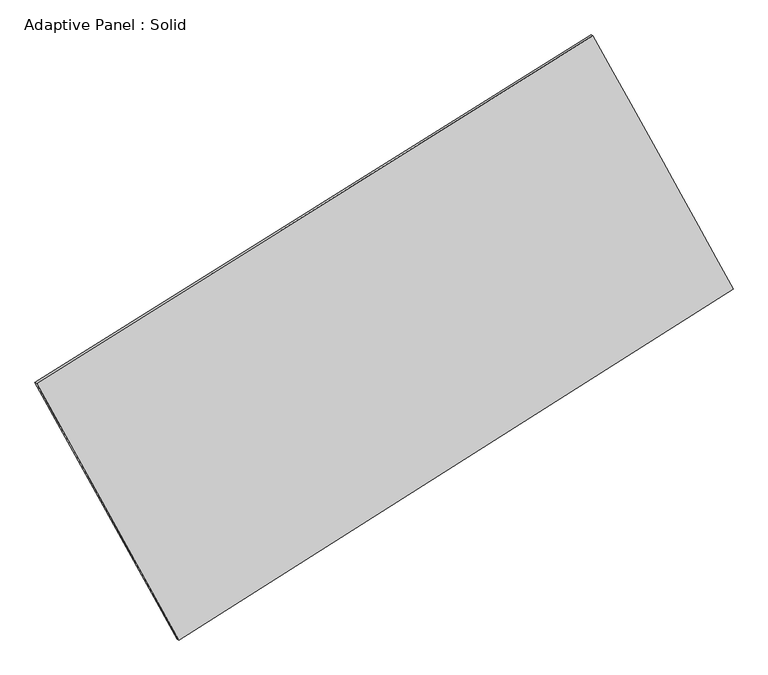
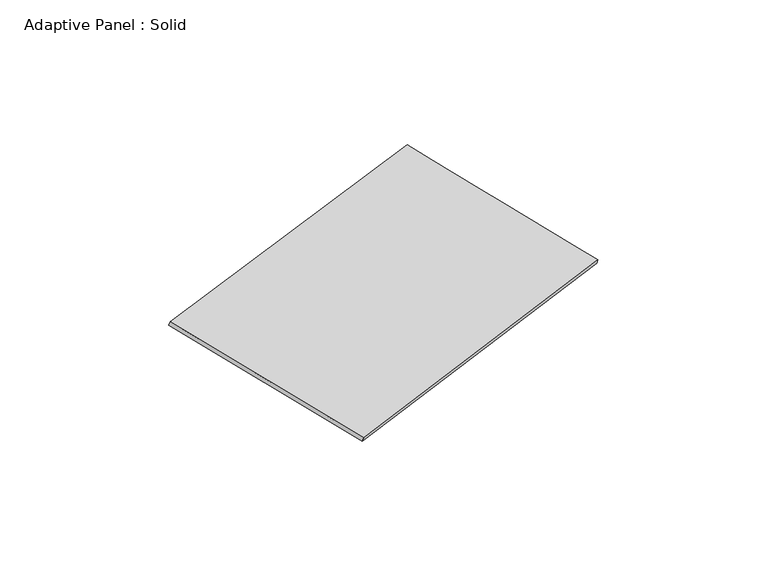
"""IFC4 building model written with IfcOpenShell, lengths in millimetres: plate geometry, Adaptive Panel : Solid."""

from ifc_helpers import new_model, si_unit, frame, origin, place, context, project, spatial, source, transform, mapped, element, save
from ifc_brep_helpers import plane_surface, spline_surface, advanced_brep


def adaptive_panel_solid_7fb02e85(model_context):
    return source(origin(), model_context, "Body", "AdvancedBrep", [
        advanced_brep(
        [(1177.582588, 2555.5869643, 664.5870298), (-3721.6130178, -508.5559484, 1765.2731097), (-3706.9466619, -514.9360418, 1812.6460177), (1192.2489439, 2549.2068708, 711.9599379), (-2470.4588315, -2770.4338548, 1076.6777878), (-2455.7924757, -2776.8139482, 1124.0506958), (2411.1986831, 323.154266, -21.4154072), (2425.8650389, 316.7741726, 25.9575009)],
        [
            (0, 1),
            (1, 2),
            (2, 3),
            (3, 0),
            (1, 4),
            (4, 5),
            (5, 2),
            (4, 6),
            (6, 7),
            (7, 5),
            (6, 0),
            (3, 7),
        ],
        [
            plane_surface(frame((-1272.0152149, 1023.5155079, 1214.9300698), z_axis=(-0.469655113475675, 0.8439832153363183, 0.2590683435248719), x_axis=(-0.8328569576792101, -0.5209003578199108, 0.18711521923248123))),
            plane_surface(frame((-3096.0359246, -1639.4949016, 1420.9754488), z_axis=(-0.8339811895273709, -0.5186539334260344, 0.1883440279281889), x_axis=(0.4677206362334522, -0.8455608310107678, -0.25741850652537485))),
            plane_surface(frame((-29.6300742, -1223.6397944, 527.6311903), z_axis=(0.47442605263787846, -0.8409795760322172, -0.26014087198115177), x_axis=(0.8298266196451772, 0.5258750260899484, -0.18666343579596617))),
            plane_surface(frame((1794.3906356, 1439.3706151, 321.5858113), z_axis=(0.8339533925277843, 0.5187042108444229, -0.18832865088367268), x_axis=(-0.4670589444018675, 0.8452205379584301, 0.2597271350234232))),
            spline_surface(1, 1, [[(-3706.9466619, -514.9360418, 1812.6460177), (1192.2489439, 2549.2068708, 711.9599379)], [(-2455.7924757, -2776.8139482, 1124.0506958), (2425.8650389, 316.7741726, 25.9575009)]], [2, 2], [2, 2], [0.0, 1.0], [0.0, 1.0]),
            spline_surface(1, 1, [[(2411.1986831, 323.154266, -21.4154072), (1177.582588, 2555.5869643, 664.5870298)], [(-2470.4588315, -2770.4338548, 1076.6777878), (-3721.6130178, -508.5559484, 1765.2731097)]], [2, 2], [2, 2], [0.0, 1.0], [0.0, 1.0]),
        ],
        [
            (0, [[1, 2, 3, 4]]),
            (1, [[5, 6, 7, -2]]),
            (2, [[8, 9, 10, -6]]),
            (3, [[11, -4, 12, -9]]),
            (4, [[-3, -7, -10, -12]]),
            (5, [[-11, -8, -5, -1]]),
        ],
    ),
    ])


if __name__ == "__main__":
    model = new_model("IFC4")
    model_context = context("Model", 3, world=origin())
    ifc_project = project(units=[si_unit("LENGTHUNIT", "METRE", prefix="MILLI")], contexts=[model_context])
    site = spatial("IfcSite", under=ifc_project)
    building = spatial("IfcBuilding", under=site)
    placement = place(None, origin())
    adaptive_panel_solid_shape = adaptive_panel_solid_7fb02e85(model_context)
    element("IfcPlate", 1, ObjectType="Adaptive Panel : Solid", at=placement, inside=building, context=model_context, shape_type="MappedRepresentation", body=[
        mapped(adaptive_panel_solid_shape, transform((0.0, 0.0, 0.0), x_axis=(1.0, 0.0, 0.0), y_axis=(0.0, 1.0, 0.0), z_axis=(0.0, 0.0, 1.0))),
    ])
    save(model, "model.ifc")
